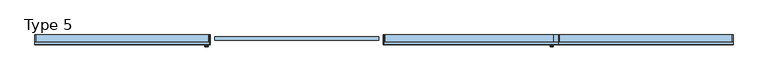
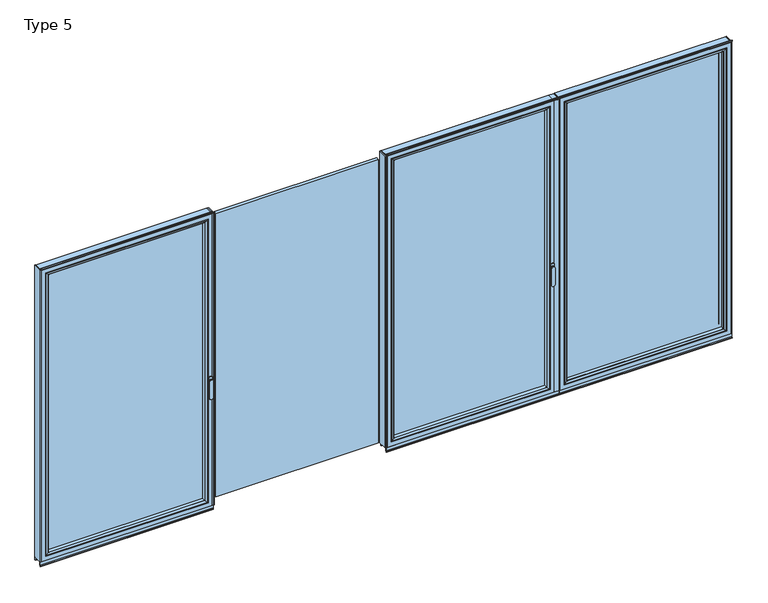
"""IFC4 building model written with IfcOpenShell, lengths in millimetres: window geometry, Type 5."""

from ifc_helpers import new_model, si_unit, point, frame, frame_2d, origin, place, context, project, spatial, polyline, circle_curve, ellipse_curve, trimmed, segment, composite_curve, outline, extrude, source, transform, mapped, element, save
from ifc_brep_helpers import plane_surface, cylinder_surface, extruded_surface, advanced_brep


def type_5_af8a6fa8(model_context):
    return source(origin(), model_context, "Body", "SolidModel", [
        extrude(outline(polyline([(633.76, 0.0), (639.76, 0.0), (639.76, -70.0), (633.76, -70.0), (633.76, 0.0)])), frame((0.0, 0.0, 75.0), z_axis=(0.0, 0.0, 1.0), x_axis=(1.0, 0.0, 0.0)), (0.0, 0.0, 1.0), 2262.0),
        extrude(outline(polyline([(1901.28, 0.0), (1901.28, -70.0), (1895.28, -70.0), (1895.28, 0.0), (1901.28, 0.0)])), frame((0.0, 0.0, 75.0), z_axis=(0.0, 0.0, 1.0), x_axis=(1.0, 0.0, 0.0)), (0.0, 0.0, 1.0), 2262.0),
        extrude(outline(polyline([(671.76, -13.999939), (1863.28, -13.999939), (1863.28, -37.9928974), (671.76, -37.9928974), (671.76, -13.999939)])), frame((0.0, 0.0, 107.0), z_axis=(0.0, 0.0, 1.0), x_axis=(1.0, 0.0, 0.0)), (0.0, 0.0, 1.0), 2198.0),
        advanced_brep(
        [(1841.2804272, -64.5552044, 2283.0004272), (1841.2804272, -37.9928974, 2283.0004272), (1841.2804272, -37.9928974, 128.9995728), (1841.2804272, -64.5552044, 128.9995728), (1863.28, -37.9928974, 2305.0), (1863.28, -37.9928974, 107.0), (671.76, -37.9928974, 107.0), (671.76, -37.9928974, 2305.0), (693.7595728, -37.9928974, 2283.0004272), (693.7595728, -37.9928974, 128.9995728), (693.7595728, -64.5552044, 128.9995728), (1841.9899707, -65.8045072, 2283.7099707), (1841.9899707, -65.8045072, 128.2900293), (693.0500293, -65.8045072, 128.2900293), (1857.280061, -70.0, 2299.000061), (1857.280061, -70.0, 112.999939), (677.759939, -70.0, 112.999939), (671.76, -70.0, 2305.0), (671.76, -70.0, 107.0), (1863.28, -70.0, 107.0), (1863.28, -70.0, 2305.0), (677.759939, -70.0, 2299.000061), (693.7595728, -64.5552044, 2283.0004272), (693.0500293, -65.8045072, 2283.7099707)],
        [
            (0, 1),
            (1, 2),
            (2, 3),
            (3, 0),
            (4, 5),
            (5, 6),
            (6, 7),
            (7, 4),
            (8, 9),
            (9, 2),
            (1, 8),
            (9, 10),
            (10, 3),
            (11, 0, ellipse_curve(frame((1842.7350312, -64.5552044, 2284.4550312), z_axis=(0.7071067811865475, 0.0, -0.7071067811865475), x_axis=(0.7071067811865474, 0.0, 0.7071067811865476)), 2.0571207, 1.454604)),
            (3, 12, ellipse_curve(frame((1842.7350312, -64.5552044, 127.5449688), z_axis=(0.7071067811865475, 0.0, 0.7071067811865475), x_axis=(-0.7071067811865474, 0.0, 0.7071067811865476)), 2.0571207, 1.454604)),
            (12, 11),
            (10, 13, ellipse_curve(frame((692.3049688, -64.5552044, 127.5449688), z_axis=(0.7071067811865475, 0.0, -0.7071067811865475), x_axis=(0.7071067811865476, 0.0, 0.7071067811865474)), 2.0571207, 1.454604)),
            (13, 12),
            (14, 11, ellipse_curve(frame((1857.2161254, -40.2735922, 2298.9361254), z_axis=(0.7071067811865475, 0.0, -0.7071067811865475), x_axis=(0.7071067811865474, 0.0, 0.7071067811865476)), 42.0395863, 29.7264765)),
            (12, 15, ellipse_curve(frame((1857.2161254, -40.2735922, 113.0638746), z_axis=(0.7071067811865475, 0.0, 0.7071067811865475), x_axis=(-0.7071067811865474, 0.0, 0.7071067811865476)), 42.0395863, 29.7264765)),
            (15, 14),
            (13, 16, ellipse_curve(frame((677.8238746, -40.2735922, 113.0638746), z_axis=(0.7071067811865475, 0.0, -0.7071067811865475), x_axis=(0.7071067811865476, 0.0, 0.7071067811865474)), 42.0395863, 29.7264765)),
            (16, 15),
            (17, 18),
            (18, 19),
            (19, 20),
            (20, 17),
            (16, 21),
            (21, 14),
            (4, 20),
            (19, 5),
            (18, 6),
            (8, 22),
            (22, 10),
            (22, 23, ellipse_curve(frame((692.3049688, -64.5552044, 2284.4550312), z_axis=(-0.7071067811865475, 0.0, -0.7071067811865475), x_axis=(0.7071067811865474, 0.0, -0.7071067811865476)), 2.0571207, 1.454604)),
            (23, 13),
            (23, 21, ellipse_curve(frame((677.8238746, -40.2735922, 2298.9361254), z_axis=(-0.7071067811865475, 0.0, -0.7071067811865475), x_axis=(0.7071067811865474, 0.0, -0.7071067811865476)), 42.0395863, 29.7264765)),
            (17, 7),
            (0, 22),
            (11, 23),
        ],
        [
            plane_surface(frame((1841.2804272, -37.9928974, 2283.0004272), z_axis=(-1.0, 0.0, 0.0), x_axis=(0.0, 0.0, -1.0))),
            plane_surface(frame((671.76, -37.9928974, 107.0), z_axis=(0.0, 1.0, 0.0), x_axis=(0.0, 0.0, 1.0))),
            plane_surface(frame((1841.2804272, -37.9928974, 128.9995728), z_axis=(0.0, 0.0, 1.0), x_axis=(-1.0, 0.0, 0.0))),
            cylinder_surface(frame((1842.7350312, -64.5552044, 2283.0004272), z_axis=(0.0, 0.0, 1.0), x_axis=(1.0, 0.0, 0.0)), 1.454604),
            cylinder_surface(frame((1841.2804272, -64.5552044, 127.5449688), z_axis=(1.0, 0.0, 0.0), x_axis=(0.0, 0.0, -1.0)), 1.454604),
            cylinder_surface(frame((1857.2161254, -40.2735922, 2283.0004272), z_axis=(0.0, 0.0, 1.0), x_axis=(1.0, 0.0, 0.0)), 29.7264765),
            cylinder_surface(frame((1841.2804272, -40.2735922, 113.0638746), z_axis=(1.0, 0.0, 0.0), x_axis=(0.0, 0.0, -1.0)), 29.7264765),
            plane_surface(frame((677.759939, -70.0, 112.999939), z_axis=(0.0, -1.0, 0.0), x_axis=(0.0, 0.0, 1.0))),
            plane_surface(frame((1863.28, -70.0, 2305.0), z_axis=(1.0, 0.0, 0.0), x_axis=(0.0, 0.0, -1.0))),
            plane_surface(frame((1863.28, -70.0, 107.0), z_axis=(0.0, 0.0, -1.0), x_axis=(-1.0, 0.0, 0.0))),
            plane_surface(frame((693.7595728, -37.9928974, 128.9995728), z_axis=(1.0, 0.0, 0.0), x_axis=(0.0, 0.0, 1.0))),
            cylinder_surface(frame((692.3049688, -64.5552044, 128.9995728), z_axis=(0.0, 0.0, -1.0), x_axis=(-1.0, 0.0, 0.0)), 1.454604),
            cylinder_surface(frame((677.8238746, -40.2735922, 128.9995728), z_axis=(0.0, 0.0, -1.0), x_axis=(-1.0, 0.0, 0.0)), 29.7264765),
            plane_surface(frame((671.76, -70.0, 107.0), z_axis=(-1.0, 0.0, 0.0), x_axis=(0.0, 0.0, 1.0))),
            plane_surface(frame((693.7595728, -37.9928974, 2283.0004272), z_axis=(0.0, 0.0, -1.0), x_axis=(1.0, 0.0, 0.0))),
            cylinder_surface(frame((693.7595728, -64.5552044, 2284.4550312), z_axis=(-1.0, 0.0, 0.0), x_axis=(0.0, 0.0, 1.0)), 1.454604),
            cylinder_surface(frame((693.7595728, -40.2735922, 2298.9361254), z_axis=(-1.0, 0.0, 0.0), x_axis=(0.0, 0.0, 1.0)), 29.7264765),
            plane_surface(frame((671.76, -70.0, 2305.0), z_axis=(0.0, 0.0, 1.0), x_axis=(1.0, 0.0, 0.0))),
        ],
        [
            (0, [[1, 2, 3, 4]]),
            (1, [[5, 6, 7, 8], [9, 10, -2, 11]]),
            (2, [[-3, -10, 12, 13]]),
            (3, [[14, -4, 15, 16]]),
            (4, [[-15, -13, 17, 18]]),
            (5, [[19, -16, 20, 21]]),
            (6, [[-20, -18, 22, 23]]),
            (7, [[24, 25, 26, 27], [-21, -23, 28, 29]]),
            (8, [[30, -26, 31, -5]]),
            (9, [[-31, -25, 32, -6]]),
            (10, [[-12, -9, 33, 34]]),
            (11, [[-17, -34, 35, 36]]),
            (12, [[-22, -36, 37, -28]]),
            (13, [[-32, -24, 38, -7]]),
            (14, [[-33, -11, -1, 39]]),
            (15, [[-35, -39, -14, 40]]),
            (16, [[-37, -40, -19, -29]]),
            (17, [[-38, -27, -30, -8]]),
        ],
    ),
        advanced_brep(
        [(639.76, -70.0, 2337.0), (639.76, 0.0, 2337.0), (639.76, 0.0, 75.0), (639.76, -70.0, 75.0), (1895.28, 0.0, 75.0), (1895.28, -70.0, 75.0), (1895.28, 0.0, 2337.0), (1845.7808099, 0.0, 124.4991901), (1845.7808099, 0.0, 2287.5008099), (689.2591901, 0.0, 2287.5008099), (689.2591901, 0.0, 124.4991901), (1895.28, -70.0, 2337.0), (671.76, -70.0, 107.0), (671.76, -70.0, 2305.0), (1863.28, -70.0, 2305.0), (1863.28, -70.0, 107.0), (671.76, -13.999939, 2305.0), (671.76, -13.999939, 107.0), (1863.28, -13.999939, 107.0), (1863.28, -13.999939, 2305.0), (693.7595728, -13.999939, 128.9995728), (693.7595728, -13.999939, 2283.0004272), (1841.2804272, -13.999939, 2283.0004272), (1841.2804272, -13.999939, 128.9995728), (693.7595728, -4.5004435, 2283.0004272), (693.7595728, -4.5004435, 128.9995728), (1841.2804272, -4.5004435, 128.9995728), (1841.2804272, -4.5004435, 2283.0004272)],
        [
            (0, 1),
            (1, 2),
            (2, 3),
            (3, 0),
            (2, 4),
            (4, 5),
            (5, 3),
            (1, 6),
            (6, 4),
            (7, 8),
            (8, 9),
            (9, 10),
            (10, 7),
            (6, 11),
            (11, 5),
            (11, 0),
            (12, 13),
            (13, 14),
            (14, 15),
            (15, 12),
            (16, 13),
            (12, 17),
            (17, 16),
            (15, 18),
            (18, 17),
            (14, 19),
            (19, 18),
            (19, 16),
            (20, 21),
            (21, 22),
            (22, 23),
            (23, 20),
            (24, 21),
            (20, 25),
            (25, 24),
            (23, 26),
            (26, 25),
            (22, 27),
            (27, 26),
            (10, 25, ellipse_curve(frame((689.2591901, -4.5004435, 124.4991901), z_axis=(0.7071067811865475, 0.0, -0.7071067811865475), x_axis=(-0.7071067811865476, 0.0, -0.7071067811865474)), 6.3645023, 4.5003827)),
            (26, 7, ellipse_curve(frame((1845.7808099, -4.5004435, 124.4991901), z_axis=(-0.7071067811865475, 0.0, -0.7071067811865475), x_axis=(-0.7071067811865476, 0.0, 0.7071067811865474)), 6.3645023, 4.5003827)),
            (9, 24, ellipse_curve(frame((689.2591901, -4.5004435, 2287.5008099), z_axis=(-0.7071067811865475, 0.0, -0.7071067811865475), x_axis=(-0.7071067811865474, 0.0, 0.7071067811865476)), 6.3645023, 4.5003827)),
            (27, 8, ellipse_curve(frame((1845.7808099, -4.5004435, 2287.5008099), z_axis=(0.7071067811865475, 0.0, -0.7071067811865475), x_axis=(-0.7071067811865474, 0.0, -0.7071067811865476)), 6.3645023, 4.5003827)),
            (24, 27),
        ],
        [
            plane_surface(frame((639.76, 0.0, 2337.0), z_axis=(-1.0, 0.0, 0.0), x_axis=(0.0, 0.0, -1.0))),
            plane_surface(frame((639.76, 0.0, 75.0), z_axis=(0.0, 0.0, -1.0), x_axis=(1.0, 0.0, 0.0))),
            plane_surface(frame((689.2591901, 0.0, 2287.5008099), z_axis=(0.0, 1.0, 0.0), x_axis=(0.0, 0.0, -1.0))),
            plane_surface(frame((1895.28, 0.0, 75.0), z_axis=(1.0, 0.0, 0.0), x_axis=(0.0, 0.0, 1.0))),
            plane_surface(frame((639.76, -70.0, 2337.0), z_axis=(0.0, -1.0, 0.0), x_axis=(0.0, 0.0, -1.0))),
            plane_surface(frame((671.76, -70.0, 2305.0), z_axis=(1.0, 0.0, 0.0), x_axis=(0.0, 0.0, -1.0))),
            plane_surface(frame((671.76, -70.0, 107.0), z_axis=(0.0, 0.0, 1.0), x_axis=(1.0, 0.0, 0.0))),
            plane_surface(frame((1863.28, -70.0, 107.0), z_axis=(-1.0, 0.0, 0.0), x_axis=(0.0, 0.0, 1.0))),
            plane_surface(frame((671.76, -13.999939, 2305.0), z_axis=(0.0, -1.0, 0.0), x_axis=(0.0, 0.0, -1.0))),
            plane_surface(frame((693.7595728, -13.999939, 2283.0004272), z_axis=(1.0, 0.0, 0.0), x_axis=(0.0, 0.0, -1.0))),
            plane_surface(frame((693.7595728, -13.999939, 128.9995728), z_axis=(0.0, 0.0, 1.0), x_axis=(1.0, 0.0, 0.0))),
            plane_surface(frame((1841.2804272, -13.999939, 128.9995728), z_axis=(-1.0, 0.0, 0.0), x_axis=(0.0, 0.0, 1.0))),
            cylinder_surface(frame((633.76, -4.5004435, 124.4991901), z_axis=(-1.0, 0.0, 0.0), x_axis=(0.0, -1.0, 0.0)), 4.5003827),
            cylinder_surface(frame((689.2591901, -4.5004435, 2343.0), z_axis=(0.0, 0.0, 1.0), x_axis=(0.0, -1.0, 0.0)), 4.5003827),
            cylinder_surface(frame((1845.7808099, -4.5004435, 69.0), z_axis=(0.0, 0.0, -1.0), x_axis=(0.0, -1.0, 0.0)), 4.5003827),
            plane_surface(frame((1895.28, 0.0, 2337.0), z_axis=(0.0, 0.0, 1.0), x_axis=(-1.0, 0.0, 0.0))),
            plane_surface(frame((1863.28, -70.0, 2305.0), z_axis=(0.0, 0.0, -1.0), x_axis=(-1.0, 0.0, 0.0))),
            plane_surface(frame((1841.2804272, -13.999939, 2283.0004272), z_axis=(0.0, 0.0, -1.0), x_axis=(-1.0, 0.0, 0.0))),
            cylinder_surface(frame((1901.28, -4.5004435, 2287.5008099), z_axis=(1.0, 0.0, 0.0), x_axis=(0.0, -1.0, 0.0)), 4.5003827),
        ],
        [
            (0, [[1, 2, 3, 4]]),
            (1, [[-3, 5, 6, 7]]),
            (2, [[-2, 8, 9, -5], [10, 11, 12, 13]]),
            (3, [[-6, -9, 14, 15]]),
            (4, [[-15, 16, -4, -7], [17, 18, 19, 20]]),
            (5, [[21, -17, 22, 23]]),
            (6, [[-22, -20, 24, 25]]),
            (7, [[-24, -19, 26, 27]]),
            (8, [[-27, 28, -23, -25], [29, 30, 31, 32]]),
            (9, [[33, -29, 34, 35]]),
            (10, [[-34, -32, 36, 37]]),
            (11, [[-36, -31, 38, 39]]),
            (12, [[40, -37, 41, -13]]),
            (13, [[42, -35, -40, -12]]),
            (14, [[-41, -39, 43, -10]]),
            (15, [[-14, -8, -1, -16]]),
            (16, [[-26, -18, -21, -28]]),
            (17, [[-38, -30, -33, 44]]),
            (18, [[-43, -44, -42, -11]]),
        ],
    ),
        extrude(outline(polyline([(633.76, -7.6000076), (633.76, 0.0), (1901.28, 0.0), (1901.28, -7.6000076), (633.76, -7.6000076)])), frame((0.0, 0.0, 52.9995117), z_axis=(0.0, 0.0, 1.0), x_axis=(1.0, 0.0, 0.0)), (0.0, 0.0, 1.0), 22.0004883),
        extrude(outline(composite_curve([segment(polyline([(-70.0, 45.0), (-70.0, 41.2896854), (-70.8737, 41.2896854), (-71.8670103, 44.9870904)]), True, "CONTINUOUS"), segment(trimmed(circle_curve(frame_2d((-69.9354978, 45.5059925)), 2.0), [point((-71.8670103, 44.9870904))], [point((-71.8566157, 46.0621453))], False, "CARTESIAN"), True, "CONTINUOUS"), segment(polyline([(-71.8566157, 46.0621453), (-70.0, 52.4754501), (-70.0, 75.0), (-62.2757497, 75.0), (-62.2757497, 45.0), (-70.0, 45.0)]), True, "CONTINUOUS")], self_intersect=False)), frame((633.76, 0.0, 0.0), z_axis=(1.0, 0.0, 0.0), x_axis=(0.0, 1.0, 0.0)), (0.0, 0.0, 1.0), 1267.52),
        extrude(outline(composite_curve([segment(polyline([(-52.044326, 2339.1400778), (-52.044326, 2337.0), (-70.0, 2337.0), (-71.8735116, 2343.9547971)]), True, "CONTINUOUS"), segment(trimmed(circle_curve(frame_2d((-69.9423544, 2344.4750201)), 2.0), [point((-71.8735116, 2343.9547971))], [point((-71.8738669, 2344.9939222))], False, "CARTESIAN"), True, "CONTINUOUS"), segment(polyline([(-71.8738669, 2344.9939222), (-70.8937897, 2348.6420698), (-70.0, 2348.6420698), (-70.0, 2342.963961), (-68.6363596, 2339.1400778), (-52.044326, 2339.1400778)]), True, "CONTINUOUS")], self_intersect=False)), frame((633.76, 0.0, 0.0), z_axis=(1.0, 0.0, 0.0), x_axis=(0.0, 1.0, 0.0)), (0.0, 0.0, 1.0), 1267.52),
        advanced_brep(
        [(-1935.2686308, -73.5, 1050.0), (-1911.2913692, -73.5, 1050.0), (-1911.2913692, -76.8965533, 1050.0), (-1935.2686308, -76.8965533, 1050.0), (-1935.2686308, -84.5, 1050.0), (-1935.2686308, -84.5, 918.6867153), (-1911.2913692, -84.5, 918.6867153), (-1911.2913692, -84.5, 1050.0), (-1911.2913692, -76.8965533, 918.6867153), (-1935.2686308, -76.8965533, 918.6867153)],
        [
            (0, 1, circle_curve(frame((-1923.28, -73.5, 1050.0), z_axis=(0.0, 1.0, 0.0), x_axis=(1.0, 0.0, 0.0)), 11.9886308)),
            (1, 0, circle_curve(frame((-1923.28, -73.5, 1050.0), z_axis=(0.0, 1.0, 0.0), x_axis=(1.0, 0.0, 0.0)), 11.9886308)),
            (1, 2),
            (2, 3, circle_curve(frame((-1923.28, -76.8965533, 1050.0), z_axis=(0.0, 1.0, 0.0), x_axis=(1.0, 0.0, 0.0)), 11.9886308)),
            (3, 0),
            (3, 2, circle_curve(frame((-1923.28, -76.8965533, 1050.0), z_axis=(0.0, 1.0, 0.0), x_axis=(1.0, 0.0, 0.0)), 11.9886308)),
            (4, 5),
            (5, 6, ellipse_curve(frame((-1923.28, -84.5, 918.6867153), z_axis=(0.0, -1.0, 0.0), x_axis=(-1.0, 0.0, 0.0)), 11.9886308, 7.9050795)),
            (6, 7),
            (7, 4, circle_curve(frame((-1923.28, -84.5, 1050.0), z_axis=(0.0, -1.0, 0.0), x_axis=(1.0, 0.0, 0.0)), 11.9886308)),
            (2, 8),
            (8, 9, ellipse_curve(frame((-1923.28, -76.8965533, 918.6867153), z_axis=(0.0, 1.0, 0.0), x_axis=(-1.0, 0.0, 0.0)), 11.9886308, 7.9050795)),
            (9, 3),
            (4, 3),
            (9, 5),
            (8, 6),
            (2, 7),
        ],
        [
            plane_surface(frame((-1911.2913692, -73.5, 1050.0), z_axis=(0.0, 1.0, 0.0), x_axis=(0.0, 0.0, -1.0))),
            cylinder_surface(frame((-1923.28, -73.5, 1050.0), z_axis=(0.0, -1.0, 0.0), x_axis=(1.0, 0.0, 0.0)), 11.9886308),
            plane_surface(frame((-1935.2686308, -84.5, 928.3382074), z_axis=(0.0, -1.0, 0.0), x_axis=(0.0, 0.0, -1.0))),
            plane_surface(frame((-1935.2686308, -76.8965533, 928.3382074), z_axis=(0.0, 1.0, 0.0), x_axis=(0.0, 0.0, 1.0))),
            plane_surface(frame((-1935.2686308, -84.5, 1050.0), z_axis=(-1.0, 0.0, 0.0), x_axis=(0.0, 1.0, 0.0))),
            extruded_surface(trimmed(ellipse_curve(frame((-1923.28, -69.2931066, 918.6867153), z_axis=(0.0, -1.0, 0.0), x_axis=(-1.0, 0.0, 0.0)), 11.9886308, 7.9050795), [point((-1935.2686308, -69.2931066, 918.6867153))], [point((-1911.2913692, -69.2931066, 918.6867153))], True, "CARTESIAN"), (0.0, -7.603446699999992, 0.0), 7.603446699999992),
            plane_surface(frame((-1911.2913692, -84.5, 918.6867153), z_axis=(1.0, 0.0, 0.0), x_axis=(0.0, 1.0, 0.0))),
            cylinder_surface(frame((-1923.28, -76.8965533, 1050.0), z_axis=(0.0, -1.0, 0.0), x_axis=(1.0, 0.0, 0.0)), 11.9886308),
        ],
        [
            (0, [[1, 2]]),
            (1, [[-2, 3, 4, 5]]),
            (1, [[-1, -5, 6, -3]]),
            (2, [[7, 8, 9, 10]]),
            (3, [[11, 12, 13, -4]]),
            (4, [[-7, 14, -13, 15]]),
            (5, [[-8, -15, -12, 16]]),
            (6, [[-9, -16, -11, 17]]),
            (7, [[-10, -17, -6, -14]]),
        ],
    ),
        extrude(outline(composite_curve([segment(polyline([(1068.75, -1937.28), (1031.25, -1937.28)]), True, "CONTINUOUS"), segment(trimmed(circle_curve(frame_2d((1031.25, -1923.28)), 14.0), [point((1031.25, -1937.28))], [point((1031.25, -1909.28))], False, "CARTESIAN"), True, "CONTINUOUS"), segment(polyline([(1031.25, -1909.28), (1068.75, -1909.28)]), True, "CONTINUOUS"), segment(trimmed(circle_curve(frame_2d((1068.75, -1923.28)), 14.0), [point((1068.75, -1909.28))], [point((1068.75, -1937.28))], False, "CARTESIAN"), True, "CONTINUOUS")], self_intersect=False)), frame((0.0, -73.5, 0.0), z_axis=(0.0, 1.0, 0.0), x_axis=(0.0, 0.0, 1.0)), (0.0, 0.0, 1.0), 3.5),
        extrude(outline(polyline([(-3168.8, 0.0), (-3162.8, 0.0), (-3162.8, -70.0), (-3168.8, -70.0), (-3168.8, 0.0)])), frame((0.0, 0.0, 75.0), z_axis=(0.0, 0.0, 1.0), x_axis=(1.0, 0.0, 0.0)), (0.0, 0.0, 1.0), 2262.0),
        extrude(outline(polyline([(-1901.28, 0.0), (-1901.28, -70.0), (-1907.28, -70.0), (-1907.28, 0.0), (-1901.28, 0.0)])), frame((0.0, 0.0, 75.0), z_axis=(0.0, 0.0, 1.0), x_axis=(1.0, 0.0, 0.0)), (0.0, 0.0, 1.0), 2262.0),
        extrude(outline(polyline([(-3130.8, -13.999939), (-1939.28, -13.999939), (-1939.28, -37.9928974), (-3130.8, -37.9928974), (-3130.8, -13.999939)])), frame((0.0, 0.0, 107.0), z_axis=(0.0, 0.0, 1.0), x_axis=(1.0, 0.0, 0.0)), (0.0, 0.0, 1.0), 2198.0),
        advanced_brep(
        [(-1961.2795728, -64.5552044, 2283.0004272), (-1961.2795728, -37.9928974, 2283.0004272), (-1961.2795728, -37.9928974, 128.9995728), (-1961.2795728, -64.5552044, 128.9995728), (-1939.28, -37.9928974, 2305.0), (-1939.28, -37.9928974, 107.0), (-3130.8, -37.9928974, 107.0), (-3130.8, -37.9928974, 2305.0), (-3108.8004272, -37.9928974, 2283.0004272), (-3108.8004272, -37.9928974, 128.9995728), (-3108.8004272, -64.5552044, 128.9995728), (-1960.5700293, -65.8045072, 2283.7099707), (-1960.5700293, -65.8045072, 128.2900293), (-3109.5099707, -65.8045072, 128.2900293), (-1945.279939, -70.0, 2299.000061), (-1945.279939, -70.0, 112.999939), (-3124.800061, -70.0, 112.999939), (-3130.8, -70.0, 2305.0), (-3130.8, -70.0, 107.0), (-1939.28, -70.0, 107.0), (-1939.28, -70.0, 2305.0), (-3124.800061, -70.0, 2299.000061), (-3108.8004272, -64.5552044, 2283.0004272), (-3109.5099707, -65.8045072, 2283.7099707)],
        [
            (0, 1),
            (1, 2),
            (2, 3),
            (3, 0),
            (4, 5),
            (5, 6),
            (6, 7),
            (7, 4),
            (8, 9),
            (9, 2),
            (1, 8),
            (9, 10),
            (10, 3),
            (11, 0, ellipse_curve(frame((-1959.8249688, -64.5552044, 2284.4550312), z_axis=(0.7071067811865475, 0.0, -0.7071067811865475), x_axis=(0.7071067811865474, 0.0, 0.7071067811865476)), 2.0571207, 1.454604)),
            (3, 12, ellipse_curve(frame((-1959.8249688, -64.5552044, 127.5449688), z_axis=(0.7071067811865475, 0.0, 0.7071067811865475), x_axis=(-0.7071067811865474, 0.0, 0.7071067811865476)), 2.0571207, 1.454604)),
            (12, 11),
            (10, 13, ellipse_curve(frame((-3110.2550312, -64.5552044, 127.5449688), z_axis=(0.7071067811865475, 0.0, -0.7071067811865475), x_axis=(0.7071067811865476, 0.0, 0.7071067811865474)), 2.0571207, 1.454604)),
            (13, 12),
            (14, 11, ellipse_curve(frame((-1945.3438746, -40.2735922, 2298.9361254), z_axis=(0.7071067811865475, 0.0, -0.7071067811865475), x_axis=(0.7071067811865474, 0.0, 0.7071067811865476)), 42.0395863, 29.7264765)),
            (12, 15, ellipse_curve(frame((-1945.3438746, -40.2735922, 113.0638746), z_axis=(0.7071067811865475, 0.0, 0.7071067811865475), x_axis=(-0.7071067811865474, 0.0, 0.7071067811865476)), 42.0395863, 29.7264765)),
            (15, 14),
            (13, 16, ellipse_curve(frame((-3124.7361254, -40.2735922, 113.0638746), z_axis=(0.7071067811865475, 0.0, -0.7071067811865475), x_axis=(0.7071067811865476, 0.0, 0.7071067811865474)), 42.0395863, 29.7264765)),
            (16, 15),
            (17, 18),
            (18, 19),
            (19, 20),
            (20, 17),
            (16, 21),
            (21, 14),
            (4, 20),
            (19, 5),
            (18, 6),
            (8, 22),
            (22, 10),
            (22, 23, ellipse_curve(frame((-3110.2550312, -64.5552044, 2284.4550312), z_axis=(-0.7071067811865475, 0.0, -0.7071067811865475), x_axis=(0.7071067811865474, 0.0, -0.7071067811865476)), 2.0571207, 1.454604)),
            (23, 13),
            (23, 21, ellipse_curve(frame((-3124.7361254, -40.2735922, 2298.9361254), z_axis=(-0.7071067811865475, 0.0, -0.7071067811865475), x_axis=(0.7071067811865474, 0.0, -0.7071067811865476)), 42.0395863, 29.7264765)),
            (17, 7),
            (0, 22),
            (11, 23),
        ],
        [
            plane_surface(frame((-1961.2795728, -37.9928974, 2283.0004272), z_axis=(-1.0, 0.0, 0.0), x_axis=(0.0, 0.0, -1.0))),
            plane_surface(frame((-3130.8, -37.9928974, 107.0), z_axis=(0.0, 1.0, 0.0), x_axis=(0.0, 0.0, 1.0))),
            plane_surface(frame((-1961.2795728, -37.9928974, 128.9995728), z_axis=(0.0, 0.0, 1.0), x_axis=(-1.0, 0.0, 0.0))),
            cylinder_surface(frame((-1959.8249688, -64.5552044, 2283.0004272), z_axis=(0.0, 0.0, 1.0), x_axis=(1.0, 0.0, 0.0)), 1.454604),
            cylinder_surface(frame((-1961.2795728, -64.5552044, 127.5449688), z_axis=(1.0, 0.0, 0.0), x_axis=(0.0, 0.0, -1.0)), 1.454604),
            cylinder_surface(frame((-1945.3438746, -40.2735922, 2283.0004272), z_axis=(0.0, 0.0, 1.0), x_axis=(1.0, 0.0, 0.0)), 29.7264765),
            cylinder_surface(frame((-1961.2795728, -40.2735922, 113.0638746), z_axis=(1.0, 0.0, 0.0), x_axis=(0.0, 0.0, -1.0)), 29.7264765),
            plane_surface(frame((-3124.800061, -70.0, 112.999939), z_axis=(0.0, -1.0, 0.0), x_axis=(0.0, 0.0, 1.0))),
            plane_surface(frame((-1939.28, -70.0, 2305.0), z_axis=(1.0, 0.0, 0.0), x_axis=(0.0, 0.0, -1.0))),
            plane_surface(frame((-1939.28, -70.0, 107.0), z_axis=(0.0, 0.0, -1.0), x_axis=(-1.0, 0.0, 0.0))),
            plane_surface(frame((-3108.8004272, -37.9928974, 128.9995728), z_axis=(1.0, 0.0, 0.0), x_axis=(0.0, 0.0, 1.0))),
            cylinder_surface(frame((-3110.2550312, -64.5552044, 128.9995728), z_axis=(0.0, 0.0, -1.0), x_axis=(-1.0, 0.0, 0.0)), 1.454604),
            cylinder_surface(frame((-3124.7361254, -40.2735922, 128.9995728), z_axis=(0.0, 0.0, -1.0), x_axis=(-1.0, 0.0, 0.0)), 29.7264765),
            plane_surface(frame((-3130.8, -70.0, 107.0), z_axis=(-1.0, 0.0, 0.0), x_axis=(0.0, 0.0, 1.0))),
            plane_surface(frame((-3108.8004272, -37.9928974, 2283.0004272), z_axis=(0.0, 0.0, -1.0), x_axis=(1.0, 0.0, 0.0))),
            cylinder_surface(frame((-3108.8004272, -64.5552044, 2284.4550312), z_axis=(-1.0, 0.0, 0.0), x_axis=(0.0, 0.0, 1.0)), 1.454604),
            cylinder_surface(frame((-3108.8004272, -40.2735922, 2298.9361254), z_axis=(-1.0, 0.0, 0.0), x_axis=(0.0, 0.0, 1.0)), 29.7264765),
            plane_surface(frame((-3130.8, -70.0, 2305.0), z_axis=(0.0, 0.0, 1.0), x_axis=(1.0, 0.0, 0.0))),
        ],
        [
            (0, [[1, 2, 3, 4]]),
            (1, [[5, 6, 7, 8], [9, 10, -2, 11]]),
            (2, [[-3, -10, 12, 13]]),
            (3, [[14, -4, 15, 16]]),
            (4, [[-15, -13, 17, 18]]),
            (5, [[19, -16, 20, 21]]),
            (6, [[-20, -18, 22, 23]]),
            (7, [[24, 25, 26, 27], [-21, -23, 28, 29]]),
            (8, [[30, -26, 31, -5]]),
            (9, [[-31, -25, 32, -6]]),
            (10, [[-12, -9, 33, 34]]),
            (11, [[-17, -34, 35, 36]]),
            (12, [[-22, -36, 37, -28]]),
            (13, [[-32, -24, 38, -7]]),
            (14, [[-33, -11, -1, 39]]),
            (15, [[-35, -39, -14, 40]]),
            (16, [[-37, -40, -19, -29]]),
            (17, [[-38, -27, -30, -8]]),
        ],
    ),
        advanced_brep(
        [(-3162.8, -70.0, 2337.0), (-3162.8, 0.0, 2337.0), (-3162.8, 0.0, 75.0), (-3162.8, -70.0, 75.0), (-1907.28, 0.0, 75.0), (-1907.28, -70.0, 75.0), (-1907.28, 0.0, 2337.0), (-1956.7791901, 0.0, 124.4991901), (-1956.7791901, 0.0, 2287.5008099), (-3113.3008099, 0.0, 2287.5008099), (-3113.3008099, 0.0, 124.4991901), (-1907.28, -70.0, 2337.0), (-3130.8, -70.0, 107.0), (-3130.8, -70.0, 2305.0), (-1939.28, -70.0, 2305.0), (-1939.28, -70.0, 107.0), (-3130.8, -13.999939, 2305.0), (-3130.8, -13.999939, 107.0), (-1939.28, -13.999939, 107.0), (-1939.28, -13.999939, 2305.0), (-3108.8004272, -13.999939, 128.9995728), (-3108.8004272, -13.999939, 2283.0004272), (-1961.2795728, -13.999939, 2283.0004272), (-1961.2795728, -13.999939, 128.9995728), (-3108.8004272, -4.5004435, 2283.0004272), (-3108.8004272, -4.5004435, 128.9995728), (-1961.2795728, -4.5004435, 128.9995728), (-1961.2795728, -4.5004435, 2283.0004272)],
        [
            (0, 1),
            (1, 2),
            (2, 3),
            (3, 0),
            (2, 4),
            (4, 5),
            (5, 3),
            (1, 6),
            (6, 4),
            (7, 8),
            (8, 9),
            (9, 10),
            (10, 7),
            (6, 11),
            (11, 5),
            (11, 0),
            (12, 13),
            (13, 14),
            (14, 15),
            (15, 12),
            (16, 13),
            (12, 17),
            (17, 16),
            (15, 18),
            (18, 17),
            (14, 19),
            (19, 18),
            (19, 16),
            (20, 21),
            (21, 22),
            (22, 23),
            (23, 20),
            (24, 21),
            (20, 25),
            (25, 24),
            (23, 26),
            (26, 25),
            (22, 27),
            (27, 26),
            (10, 25, ellipse_curve(frame((-3113.3008099, -4.5004435, 124.4991901), z_axis=(0.7071067811865475, 0.0, -0.7071067811865475), x_axis=(-0.7071067811865476, 0.0, -0.7071067811865474)), 6.3645023, 4.5003827)),
            (26, 7, ellipse_curve(frame((-1956.7791901, -4.5004435, 124.4991901), z_axis=(-0.7071067811865475, 0.0, -0.7071067811865475), x_axis=(-0.7071067811865476, 0.0, 0.7071067811865474)), 6.3645023, 4.5003827)),
            (9, 24, ellipse_curve(frame((-3113.3008099, -4.5004435, 2287.5008099), z_axis=(-0.7071067811865475, 0.0, -0.7071067811865475), x_axis=(-0.7071067811865474, 0.0, 0.7071067811865476)), 6.3645023, 4.5003827)),
            (27, 8, ellipse_curve(frame((-1956.7791901, -4.5004435, 2287.5008099), z_axis=(0.7071067811865475, 0.0, -0.7071067811865475), x_axis=(-0.7071067811865474, 0.0, -0.7071067811865476)), 6.3645023, 4.5003827)),
            (24, 27),
        ],
        [
            plane_surface(frame((-3162.8, 0.0, 2337.0), z_axis=(-1.0, 0.0, 0.0), x_axis=(0.0, 0.0, -1.0))),
            plane_surface(frame((-3162.8, 0.0, 75.0), z_axis=(0.0, 0.0, -1.0), x_axis=(1.0, 0.0, 0.0))),
            plane_surface(frame((-3113.3008099, 0.0, 2287.5008099), z_axis=(0.0, 1.0, 0.0), x_axis=(0.0, 0.0, -1.0))),
            plane_surface(frame((-1907.28, 0.0, 75.0), z_axis=(1.0, 0.0, 0.0), x_axis=(0.0, 0.0, 1.0))),
            plane_surface(frame((-3162.8, -70.0, 2337.0), z_axis=(0.0, -1.0, 0.0), x_axis=(0.0, 0.0, -1.0))),
            plane_surface(frame((-3130.8, -70.0, 2305.0), z_axis=(1.0, 0.0, 0.0), x_axis=(0.0, 0.0, -1.0))),
            plane_surface(frame((-3130.8, -70.0, 107.0), z_axis=(0.0, 0.0, 1.0), x_axis=(1.0, 0.0, 0.0))),
            plane_surface(frame((-1939.28, -70.0, 107.0), z_axis=(-1.0, 0.0, 0.0), x_axis=(0.0, 0.0, 1.0))),
            plane_surface(frame((-3130.8, -13.999939, 2305.0), z_axis=(0.0, -1.0, 0.0), x_axis=(0.0, 0.0, -1.0))),
            plane_surface(frame((-3108.8004272, -13.999939, 2283.0004272), z_axis=(1.0, 0.0, 0.0), x_axis=(0.0, 0.0, -1.0))),
            plane_surface(frame((-3108.8004272, -13.999939, 128.9995728), z_axis=(0.0, 0.0, 1.0), x_axis=(1.0, 0.0, 0.0))),
            plane_surface(frame((-1961.2795728, -13.999939, 128.9995728), z_axis=(-1.0, 0.0, 0.0), x_axis=(0.0, 0.0, 1.0))),
            cylinder_surface(frame((-3168.8, -4.5004435, 124.4991901), z_axis=(-1.0, 0.0, 0.0), x_axis=(0.0, -1.0, 0.0)), 4.5003827),
            cylinder_surface(frame((-3113.3008099, -4.5004435, 2343.0), z_axis=(0.0, 0.0, 1.0), x_axis=(0.0, -1.0, 0.0)), 4.5003827),
            cylinder_surface(frame((-1956.7791901, -4.5004435, 69.0), z_axis=(0.0, 0.0, -1.0), x_axis=(0.0, -1.0, 0.0)), 4.5003827),
            plane_surface(frame((-1907.28, 0.0, 2337.0), z_axis=(0.0, 0.0, 1.0), x_axis=(-1.0, 0.0, 0.0))),
            plane_surface(frame((-1939.28, -70.0, 2305.0), z_axis=(0.0, 0.0, -1.0), x_axis=(-1.0, 0.0, 0.0))),
            plane_surface(frame((-1961.2795728, -13.999939, 2283.0004272), z_axis=(0.0, 0.0, -1.0), x_axis=(-1.0, 0.0, 0.0))),
            cylinder_surface(frame((-1901.28, -4.5004435, 2287.5008099), z_axis=(1.0, 0.0, 0.0), x_axis=(0.0, -1.0, 0.0)), 4.5003827),
        ],
        [
            (0, [[1, 2, 3, 4]]),
            (1, [[-3, 5, 6, 7]]),
            (2, [[-2, 8, 9, -5], [10, 11, 12, 13]]),
            (3, [[-6, -9, 14, 15]]),
            (4, [[-15, 16, -4, -7], [17, 18, 19, 20]]),
            (5, [[21, -17, 22, 23]]),
            (6, [[-22, -20, 24, 25]]),
            (7, [[-24, -19, 26, 27]]),
            (8, [[-27, 28, -23, -25], [29, 30, 31, 32]]),
            (9, [[33, -29, 34, 35]]),
            (10, [[-34, -32, 36, 37]]),
            (11, [[-36, -31, 38, 39]]),
            (12, [[40, -37, 41, -13]]),
            (13, [[42, -35, -40, -12]]),
            (14, [[-41, -39, 43, -10]]),
            (15, [[-14, -8, -1, -16]]),
            (16, [[-26, -18, -21, -28]]),
            (17, [[-38, -30, -33, 44]]),
            (18, [[-43, -44, -42, -11]]),
        ],
    ),
        extrude(outline(polyline([(-3168.8, -7.6000076), (-3168.8, 0.0), (-1901.28, 0.0), (-1901.28, -7.6000076), (-3168.8, -7.6000076)])), frame((0.0, 0.0, 52.9995117), z_axis=(0.0, 0.0, 1.0), x_axis=(1.0, 0.0, 0.0)), (0.0, 0.0, 1.0), 22.0004883),
        extrude(outline(composite_curve([segment(polyline([(-70.0, 45.0), (-70.0, 41.2896854), (-70.8737, 41.2896854), (-71.8670103, 44.9870904)]), True, "CONTINUOUS"), segment(trimmed(circle_curve(frame_2d((-69.9354978, 45.5059925)), 2.0), [point((-71.8670103, 44.9870904))], [point((-71.8566157, 46.0621453))], False, "CARTESIAN"), True, "CONTINUOUS"), segment(polyline([(-71.8566157, 46.0621453), (-70.0, 52.4754501), (-70.0, 75.0), (-62.2757497, 75.0), (-62.2757497, 45.0), (-70.0, 45.0)]), True, "CONTINUOUS")], self_intersect=False)), frame((-3168.8, 0.0, 0.0), z_axis=(1.0, 0.0, 0.0), x_axis=(0.0, 1.0, 0.0)), (0.0, 0.0, 1.0), 1267.52),
        extrude(outline(composite_curve([segment(polyline([(-52.044326, 2339.1400778), (-52.044326, 2337.0), (-70.0, 2337.0), (-71.8735116, 2343.9547971)]), True, "CONTINUOUS"), segment(trimmed(circle_curve(frame_2d((-69.9423544, 2344.4750201)), 2.0), [point((-71.8735116, 2343.9547971))], [point((-71.8738669, 2344.9939222))], False, "CARTESIAN"), True, "CONTINUOUS"), segment(polyline([(-71.8738669, 2344.9939222), (-70.8937897, 2348.6420698), (-70.0, 2348.6420698), (-70.0, 2342.963961), (-68.6363596, 2339.1400778), (-52.044326, 2339.1400778)]), True, "CONTINUOUS")], self_intersect=False)), frame((-3168.8, 0.0, 0.0), z_axis=(1.0, 0.0, 0.0), x_axis=(0.0, 1.0, 0.0)), (0.0, 0.0, 1.0), 1267.52),
        advanced_brep(
        [(571.7713692, -73.5, 1050.0), (595.7486308, -73.5, 1050.0), (595.7486308, -76.8965533, 1050.0), (571.7713692, -76.8965533, 1050.0), (571.7713692, -84.5, 1050.0), (571.7713692, -84.5, 918.6867153), (595.7486308, -84.5, 918.6867153), (595.7486308, -84.5, 1050.0), (595.7486308, -76.8965533, 918.6867153), (571.7713692, -76.8965533, 918.6867153)],
        [
            (0, 1, circle_curve(frame((583.76, -73.5, 1050.0), z_axis=(0.0, 1.0, 0.0), x_axis=(1.0, 0.0, 0.0)), 11.9886308)),
            (1, 0, circle_curve(frame((583.76, -73.5, 1050.0), z_axis=(0.0, 1.0, 0.0), x_axis=(1.0, 0.0, 0.0)), 11.9886308)),
            (1, 2),
            (2, 3, circle_curve(frame((583.76, -76.8965533, 1050.0), z_axis=(0.0, 1.0, 0.0), x_axis=(1.0, 0.0, 0.0)), 11.9886308)),
            (3, 0),
            (3, 2, circle_curve(frame((583.76, -76.8965533, 1050.0), z_axis=(0.0, 1.0, 0.0), x_axis=(1.0, 0.0, 0.0)), 11.9886308)),
            (4, 5),
            (5, 6, ellipse_curve(frame((583.76, -84.5, 918.6867153), z_axis=(0.0, -1.0, 0.0), x_axis=(-1.0, 0.0, 0.0)), 11.9886308, 7.9050795)),
            (6, 7),
            (7, 4, circle_curve(frame((583.76, -84.5, 1050.0), z_axis=(0.0, -1.0, 0.0), x_axis=(1.0, 0.0, 0.0)), 11.9886308)),
            (2, 8),
            (8, 9, ellipse_curve(frame((583.76, -76.8965533, 918.6867153), z_axis=(0.0, 1.0, 0.0), x_axis=(-1.0, 0.0, 0.0)), 11.9886308, 7.9050795)),
            (9, 3),
            (4, 3),
            (9, 5),
            (8, 6),
            (2, 7),
        ],
        [
            plane_surface(frame((595.7486308, -73.5, 1050.0), z_axis=(0.0, 1.0, 0.0), x_axis=(0.0, 0.0, -1.0))),
            cylinder_surface(frame((583.76, -73.5, 1050.0), z_axis=(0.0, -1.0, 0.0), x_axis=(1.0, 0.0, 0.0)), 11.9886308),
            plane_surface(frame((571.7713692, -84.5, 928.3382074), z_axis=(0.0, -1.0, 0.0), x_axis=(0.0, 0.0, -1.0))),
            plane_surface(frame((571.7713692, -76.8965533, 928.3382074), z_axis=(0.0, 1.0, 0.0), x_axis=(0.0, 0.0, 1.0))),
            plane_surface(frame((571.7713692, -84.5, 1050.0), z_axis=(-1.0, 0.0, 0.0), x_axis=(0.0, 1.0, 0.0))),
            extruded_surface(trimmed(ellipse_curve(frame((583.76, -69.2931066, 918.6867153), z_axis=(0.0, -1.0, 0.0), x_axis=(-1.0, 0.0, 0.0)), 11.9886308, 7.9050795), [point((571.7713692, -69.2931066, 918.6867153))], [point((595.7486308, -69.2931066, 918.6867153))], True, "CARTESIAN"), (0.0, -7.603446699999992, 0.0), 7.603446699999992),
            plane_surface(frame((595.7486308, -84.5, 918.6867153), z_axis=(1.0, 0.0, 0.0), x_axis=(0.0, 1.0, 0.0))),
            cylinder_surface(frame((583.76, -76.8965533, 1050.0), z_axis=(0.0, -1.0, 0.0), x_axis=(1.0, 0.0, 0.0)), 11.9886308),
        ],
        [
            (0, [[1, 2]]),
            (1, [[-2, 3, 4, 5]]),
            (1, [[-1, -5, 6, -3]]),
            (2, [[7, 8, 9, 10]]),
            (3, [[11, 12, 13, -4]]),
            (4, [[-7, 14, -13, 15]]),
            (5, [[-8, -15, -12, 16]]),
            (6, [[-9, -16, -11, 17]]),
            (7, [[-10, -17, -6, -14]]),
        ],
    ),
        extrude(outline(composite_curve([segment(polyline([(1068.75, 569.76), (1031.25, 569.76)]), True, "CONTINUOUS"), segment(trimmed(circle_curve(frame_2d((1031.25, 583.76)), 14.0), [point((1031.25, 569.76))], [point((1031.25, 597.76))], False, "CARTESIAN"), True, "CONTINUOUS"), segment(polyline([(1031.25, 597.76), (1068.75, 597.76)]), True, "CONTINUOUS"), segment(trimmed(circle_curve(frame_2d((1068.75, 583.76)), 14.0), [point((1068.75, 597.76))], [point((1068.75, 569.76))], False, "CARTESIAN"), True, "CONTINUOUS")], self_intersect=False)), frame((0.0, -73.5, 0.0), z_axis=(0.0, 1.0, 0.0), x_axis=(0.0, 0.0, 1.0)), (0.0, 0.0, 1.0), 3.5),
        extrude(outline(polyline([(-633.76, 0.0), (-627.76, 0.0), (-627.76, -70.0), (-633.76, -70.0), (-633.76, 0.0)])), frame((0.0, 0.0, 75.0), z_axis=(0.0, 0.0, 1.0), x_axis=(1.0, 0.0, 0.0)), (0.0, 0.0, 1.0), 2262.0),
        extrude(outline(polyline([(633.76, 0.0), (633.76, -70.0), (599.76, -70.0), (599.76, 0.0), (633.76, 0.0)])), frame((0.0, 0.0, 75.0), z_axis=(0.0, 0.0, 1.0), x_axis=(1.0, 0.0, 0.0)), (0.0, 0.0, 1.0), 2262.0),
        extrude(outline(polyline([(-595.76, -13.999939), (567.76, -13.999939), (567.76, -37.9928974), (-595.76, -37.9928974), (-595.76, -13.999939)])), frame((0.0, 0.0, 107.0), z_axis=(0.0, 0.0, 1.0), x_axis=(1.0, 0.0, 0.0)), (0.0, 0.0, 1.0), 2198.0),
        advanced_brep(
        [(545.7604272, -64.5552044, 2283.0004272), (545.7604272, -37.9928974, 2283.0004272), (545.7604272, -37.9928974, 128.9995728), (545.7604272, -64.5552044, 128.9995728), (567.76, -37.9928974, 2305.0), (567.76, -37.9928974, 107.0), (-595.76, -37.9928974, 107.0), (-595.76, -37.9928974, 2305.0), (-573.7604272, -37.9928974, 2283.0004272), (-573.7604272, -37.9928974, 128.9995728), (-573.7604272, -64.5552044, 128.9995728), (546.4699707, -65.8045072, 2283.7099707), (546.4699707, -65.8045072, 128.2900293), (-574.4699707, -65.8045072, 128.2900293), (561.760061, -70.0, 2299.000061), (561.760061, -70.0, 112.999939), (-589.760061, -70.0, 112.999939), (-595.76, -70.0, 2305.0), (-595.76, -70.0, 107.0), (567.76, -70.0, 107.0), (567.76, -70.0, 2305.0), (-589.760061, -70.0, 2299.000061), (-573.7604272, -64.5552044, 2283.0004272), (-574.4699707, -65.8045072, 2283.7099707)],
        [
            (0, 1),
            (1, 2),
            (2, 3),
            (3, 0),
            (4, 5),
            (5, 6),
            (6, 7),
            (7, 4),
            (8, 9),
            (9, 2),
            (1, 8),
            (9, 10),
            (10, 3),
            (11, 0, ellipse_curve(frame((547.2150312, -64.5552044, 2284.4550312), z_axis=(0.7071067811865475, 0.0, -0.7071067811865475), x_axis=(0.7071067811865474, 0.0, 0.7071067811865476)), 2.0571207, 1.454604)),
            (3, 12, ellipse_curve(frame((547.2150312, -64.5552044, 127.5449688), z_axis=(0.7071067811865475, 0.0, 0.7071067811865475), x_axis=(-0.7071067811865474, 0.0, 0.7071067811865476)), 2.0571207, 1.454604)),
            (12, 11),
            (10, 13, ellipse_curve(frame((-575.2150312, -64.5552044, 127.5449688), z_axis=(0.7071067811865475, 0.0, -0.7071067811865475), x_axis=(0.7071067811865476, 0.0, 0.7071067811865474)), 2.0571207, 1.454604)),
            (13, 12),
            (14, 11, ellipse_curve(frame((561.6961254, -40.2735922, 2298.9361254), z_axis=(0.7071067811865475, 0.0, -0.7071067811865475), x_axis=(0.7071067811865474, 0.0, 0.7071067811865476)), 42.0395863, 29.7264765)),
            (12, 15, ellipse_curve(frame((561.6961254, -40.2735922, 113.0638746), z_axis=(0.7071067811865475, 0.0, 0.7071067811865475), x_axis=(-0.7071067811865474, 0.0, 0.7071067811865476)), 42.0395863, 29.7264765)),
            (15, 14),
            (13, 16, ellipse_curve(frame((-589.6961254, -40.2735922, 113.0638746), z_axis=(0.7071067811865475, 0.0, -0.7071067811865475), x_axis=(0.7071067811865476, 0.0, 0.7071067811865474)), 42.0395863, 29.7264765)),
            (16, 15),
            (17, 18),
            (18, 19),
            (19, 20),
            (20, 17),
            (16, 21),
            (21, 14),
            (4, 20),
            (19, 5),
            (18, 6),
            (8, 22),
            (22, 10),
            (22, 23, ellipse_curve(frame((-575.2150312, -64.5552044, 2284.4550312), z_axis=(-0.7071067811865475, 0.0, -0.7071067811865475), x_axis=(0.7071067811865474, 0.0, -0.7071067811865476)), 2.0571207, 1.454604)),
            (23, 13),
            (23, 21, ellipse_curve(frame((-589.6961254, -40.2735922, 2298.9361254), z_axis=(-0.7071067811865475, 0.0, -0.7071067811865475), x_axis=(0.7071067811865474, 0.0, -0.7071067811865476)), 42.0395863, 29.7264765)),
            (17, 7),
            (0, 22),
            (11, 23),
        ],
        [
            plane_surface(frame((545.7604272, -37.9928974, 2283.0004272), z_axis=(-1.0, 0.0, 0.0), x_axis=(0.0, 0.0, -1.0))),
            plane_surface(frame((-595.76, -37.9928974, 107.0), z_axis=(0.0, 1.0, 0.0), x_axis=(0.0, 0.0, 1.0))),
            plane_surface(frame((545.7604272, -37.9928974, 128.9995728), z_axis=(0.0, 0.0, 1.0), x_axis=(-1.0, 0.0, 0.0))),
            cylinder_surface(frame((547.2150312, -64.5552044, 2283.0004272), z_axis=(0.0, 0.0, 1.0), x_axis=(1.0, 0.0, 0.0)), 1.454604),
            cylinder_surface(frame((545.7604272, -64.5552044, 127.5449688), z_axis=(1.0, 0.0, 0.0), x_axis=(0.0, 0.0, -1.0)), 1.454604),
            cylinder_surface(frame((561.6961254, -40.2735922, 2283.0004272), z_axis=(0.0, 0.0, 1.0), x_axis=(1.0, 0.0, 0.0)), 29.7264765),
            cylinder_surface(frame((545.7604272, -40.2735922, 113.0638746), z_axis=(1.0, 0.0, 0.0), x_axis=(0.0, 0.0, -1.0)), 29.7264765),
            plane_surface(frame((-589.760061, -70.0, 112.999939), z_axis=(0.0, -1.0, 0.0), x_axis=(0.0, 0.0, 1.0))),
            plane_surface(frame((567.76, -70.0, 2305.0), z_axis=(1.0, 0.0, 0.0), x_axis=(0.0, 0.0, -1.0))),
            plane_surface(frame((567.76, -70.0, 107.0), z_axis=(0.0, 0.0, -1.0), x_axis=(-1.0, 0.0, 0.0))),
            plane_surface(frame((-573.7604272, -37.9928974, 128.9995728), z_axis=(1.0, 0.0, 0.0), x_axis=(0.0, 0.0, 1.0))),
            cylinder_surface(frame((-575.2150312, -64.5552044, 128.9995728), z_axis=(0.0, 0.0, -1.0), x_axis=(-1.0, 0.0, 0.0)), 1.454604),
            cylinder_surface(frame((-589.6961254, -40.2735922, 128.9995728), z_axis=(0.0, 0.0, -1.0), x_axis=(-1.0, 0.0, 0.0)), 29.7264765),
            plane_surface(frame((-595.76, -70.0, 107.0), z_axis=(-1.0, 0.0, 0.0), x_axis=(0.0, 0.0, 1.0))),
            plane_surface(frame((-573.7604272, -37.9928974, 2283.0004272), z_axis=(0.0, 0.0, -1.0), x_axis=(1.0, 0.0, 0.0))),
            cylinder_surface(frame((-573.7604272, -64.5552044, 2284.4550312), z_axis=(-1.0, 0.0, 0.0), x_axis=(0.0, 0.0, 1.0)), 1.454604),
            cylinder_surface(frame((-573.7604272, -40.2735922, 2298.9361254), z_axis=(-1.0, 0.0, 0.0), x_axis=(0.0, 0.0, 1.0)), 29.7264765),
            plane_surface(frame((-595.76, -70.0, 2305.0), z_axis=(0.0, 0.0, 1.0), x_axis=(1.0, 0.0, 0.0))),
        ],
        [
            (0, [[1, 2, 3, 4]]),
            (1, [[5, 6, 7, 8], [9, 10, -2, 11]]),
            (2, [[-3, -10, 12, 13]]),
            (3, [[14, -4, 15, 16]]),
            (4, [[-15, -13, 17, 18]]),
            (5, [[19, -16, 20, 21]]),
            (6, [[-20, -18, 22, 23]]),
            (7, [[24, 25, 26, 27], [-21, -23, 28, 29]]),
            (8, [[30, -26, 31, -5]]),
            (9, [[-31, -25, 32, -6]]),
            (10, [[-12, -9, 33, 34]]),
            (11, [[-17, -34, 35, 36]]),
            (12, [[-22, -36, 37, -28]]),
            (13, [[-32, -24, 38, -7]]),
            (14, [[-33, -11, -1, 39]]),
            (15, [[-35, -39, -14, 40]]),
            (16, [[-37, -40, -19, -29]]),
            (17, [[-38, -27, -30, -8]]),
        ],
    ),
        advanced_brep(
        [(-627.76, -70.0, 2337.0), (-627.76, 0.0, 2337.0), (-627.76, 0.0, 75.0), (-627.76, -70.0, 75.0), (599.76, 0.0, 75.0), (599.76, -70.0, 75.0), (599.76, 0.0, 2337.0), (550.2608099, 0.0, 124.4991901), (550.2608099, 0.0, 2287.5008099), (-578.2608099, 0.0, 2287.5008099), (-578.2608099, 0.0, 124.4991901), (599.76, -70.0, 2337.0), (-595.76, -70.0, 107.0), (-595.76, -70.0, 2305.0), (567.76, -70.0, 2305.0), (567.76, -70.0, 107.0), (-595.76, -13.999939, 2305.0), (-595.76, -13.999939, 107.0), (567.76, -13.999939, 107.0), (567.76, -13.999939, 2305.0), (-573.7604272, -13.999939, 128.9995728), (-573.7604272, -13.999939, 2283.0004272), (545.7604272, -13.999939, 2283.0004272), (545.7604272, -13.999939, 128.9995728), (-573.7604272, -4.5004435, 2283.0004272), (-573.7604272, -4.5004435, 128.9995728), (545.7604272, -4.5004435, 128.9995728), (545.7604272, -4.5004435, 2283.0004272)],
        [
            (0, 1),
            (1, 2),
            (2, 3),
            (3, 0),
            (2, 4),
            (4, 5),
            (5, 3),
            (1, 6),
            (6, 4),
            (7, 8),
            (8, 9),
            (9, 10),
            (10, 7),
            (6, 11),
            (11, 5),
            (11, 0),
            (12, 13),
            (13, 14),
            (14, 15),
            (15, 12),
            (16, 13),
            (12, 17),
            (17, 16),
            (15, 18),
            (18, 17),
            (14, 19),
            (19, 18),
            (19, 16),
            (20, 21),
            (21, 22),
            (22, 23),
            (23, 20),
            (24, 21),
            (20, 25),
            (25, 24),
            (23, 26),
            (26, 25),
            (22, 27),
            (27, 26),
            (10, 25, ellipse_curve(frame((-578.2608099, -4.5004435, 124.4991901), z_axis=(0.7071067811865475, 0.0, -0.7071067811865475), x_axis=(-0.7071067811865476, 0.0, -0.7071067811865474)), 6.3645023, 4.5003827)),
            (26, 7, ellipse_curve(frame((550.2608099, -4.5004435, 124.4991901), z_axis=(-0.7071067811865475, 0.0, -0.7071067811865475), x_axis=(-0.7071067811865476, 0.0, 0.7071067811865474)), 6.3645023, 4.5003827)),
            (9, 24, ellipse_curve(frame((-578.2608099, -4.5004435, 2287.5008099), z_axis=(-0.7071067811865475, 0.0, -0.7071067811865475), x_axis=(-0.7071067811865474, 0.0, 0.7071067811865476)), 6.3645023, 4.5003827)),
            (27, 8, ellipse_curve(frame((550.2608099, -4.5004435, 2287.5008099), z_axis=(0.7071067811865475, 0.0, -0.7071067811865475), x_axis=(-0.7071067811865474, 0.0, -0.7071067811865476)), 6.3645023, 4.5003827)),
            (24, 27),
        ],
        [
            plane_surface(frame((-627.76, 0.0, 2337.0), z_axis=(-1.0, 0.0, 0.0), x_axis=(0.0, 0.0, -1.0))),
            plane_surface(frame((-627.76, 0.0, 75.0), z_axis=(0.0, 0.0, -1.0), x_axis=(1.0, 0.0, 0.0))),
            plane_surface(frame((-578.2608099, 0.0, 2287.5008099), z_axis=(0.0, 1.0, 0.0), x_axis=(0.0, 0.0, -1.0))),
            plane_surface(frame((599.76, 0.0, 75.0), z_axis=(1.0, 0.0, 0.0), x_axis=(0.0, 0.0, 1.0))),
            plane_surface(frame((-627.76, -70.0, 2337.0), z_axis=(0.0, -1.0, 0.0), x_axis=(0.0, 0.0, -1.0))),
            plane_surface(frame((-595.76, -70.0, 2305.0), z_axis=(1.0, 0.0, 0.0), x_axis=(0.0, 0.0, -1.0))),
            plane_surface(frame((-595.76, -70.0, 107.0), z_axis=(0.0, 0.0, 1.0), x_axis=(1.0, 0.0, 0.0))),
            plane_surface(frame((567.76, -70.0, 107.0), z_axis=(-1.0, 0.0, 0.0), x_axis=(0.0, 0.0, 1.0))),
            plane_surface(frame((-595.76, -13.999939, 2305.0), z_axis=(0.0, -1.0, 0.0), x_axis=(0.0, 0.0, -1.0))),
            plane_surface(frame((-573.7604272, -13.999939, 2283.0004272), z_axis=(1.0, 0.0, 0.0), x_axis=(0.0, 0.0, -1.0))),
            plane_surface(frame((-573.7604272, -13.999939, 128.9995728), z_axis=(0.0, 0.0, 1.0), x_axis=(1.0, 0.0, 0.0))),
            plane_surface(frame((545.7604272, -13.999939, 128.9995728), z_axis=(-1.0, 0.0, 0.0), x_axis=(0.0, 0.0, 1.0))),
            cylinder_surface(frame((-633.76, -4.5004435, 124.4991901), z_axis=(-1.0, 0.0, 0.0), x_axis=(0.0, -1.0, 0.0)), 4.5003827),
            cylinder_surface(frame((-578.2608099, -4.5004435, 2343.0), z_axis=(0.0, 0.0, 1.0), x_axis=(0.0, -1.0, 0.0)), 4.5003827),
            cylinder_surface(frame((550.2608099, -4.5004435, 69.0), z_axis=(0.0, 0.0, -1.0), x_axis=(0.0, -1.0, 0.0)), 4.5003827),
            plane_surface(frame((599.76, 0.0, 2337.0), z_axis=(0.0, 0.0, 1.0), x_axis=(-1.0, 0.0, 0.0))),
            plane_surface(frame((567.76, -70.0, 2305.0), z_axis=(0.0, 0.0, -1.0), x_axis=(-1.0, 0.0, 0.0))),
            plane_surface(frame((545.7604272, -13.999939, 2283.0004272), z_axis=(0.0, 0.0, -1.0), x_axis=(-1.0, 0.0, 0.0))),
            cylinder_surface(frame((605.76, -4.5004435, 2287.5008099), z_axis=(1.0, 0.0, 0.0), x_axis=(0.0, -1.0, 0.0)), 4.5003827),
        ],
        [
            (0, [[1, 2, 3, 4]]),
            (1, [[-3, 5, 6, 7]]),
            (2, [[-2, 8, 9, -5], [10, 11, 12, 13]]),
            (3, [[-6, -9, 14, 15]]),
            (4, [[-15, 16, -4, -7], [17, 18, 19, 20]]),
            (5, [[21, -17, 22, 23]]),
            (6, [[-22, -20, 24, 25]]),
            (7, [[-24, -19, 26, 27]]),
            (8, [[-27, 28, -23, -25], [29, 30, 31, 32]]),
            (9, [[33, -29, 34, 35]]),
            (10, [[-34, -32, 36, 37]]),
            (11, [[-36, -31, 38, 39]]),
            (12, [[40, -37, 41, -13]]),
            (13, [[42, -35, -40, -12]]),
            (14, [[-41, -39, 43, -10]]),
            (15, [[-14, -8, -1, -16]]),
            (16, [[-26, -18, -21, -28]]),
            (17, [[-38, -30, -33, 44]]),
            (18, [[-43, -44, -42, -11]]),
        ],
    ),
        extrude(outline(polyline([(-633.76, -7.6000076), (-633.76, 0.0), (633.76, 0.0), (633.76, -7.6000076), (-633.76, -7.6000076)])), frame((0.0, 0.0, 52.9995117), z_axis=(0.0, 0.0, 1.0), x_axis=(1.0, 0.0, 0.0)), (0.0, 0.0, 1.0), 22.0004883),
        extrude(outline(composite_curve([segment(polyline([(-70.0, 45.0), (-70.0, 41.2896854), (-70.8737, 41.2896854), (-71.8670103, 44.9870904)]), True, "CONTINUOUS"), segment(trimmed(circle_curve(frame_2d((-69.9354978, 45.5059925)), 2.0), [point((-71.8670103, 44.9870904))], [point((-71.8566157, 46.0621453))], False, "CARTESIAN"), True, "CONTINUOUS"), segment(polyline([(-71.8566157, 46.0621453), (-70.0, 52.4754501), (-70.0, 75.0), (-62.2757497, 75.0), (-62.2757497, 45.0), (-70.0, 45.0)]), True, "CONTINUOUS")], self_intersect=False)), frame((-633.76, 0.0, 0.0), z_axis=(1.0, 0.0, 0.0), x_axis=(0.0, 1.0, 0.0)), (0.0, 0.0, 1.0), 1267.52),
        extrude(outline(composite_curve([segment(polyline([(-52.044326, 2339.1400778), (-52.044326, 2337.0), (-70.0, 2337.0), (-71.8735116, 2343.9547971)]), True, "CONTINUOUS"), segment(trimmed(circle_curve(frame_2d((-69.9423544, 2344.4750201)), 2.0), [point((-71.8735116, 2343.9547971))], [point((-71.8738669, 2344.9939222))], False, "CARTESIAN"), True, "CONTINUOUS"), segment(polyline([(-71.8738669, 2344.9939222), (-70.8937897, 2348.6420698), (-70.0, 2348.6420698), (-70.0, 2342.963961), (-68.6363596, 2339.1400778), (-52.044326, 2339.1400778)]), True, "CONTINUOUS")], self_intersect=False)), frame((-633.76, 0.0, 0.0), z_axis=(1.0, 0.0, 0.0), x_axis=(0.0, 1.0, 0.0)), (0.0, 0.0, 1.0), 1267.52),
        extrude(outline(polyline([(-633.76, 0.0), (-633.76, -70.0), (-639.76, -70.0), (-639.76, 0.0), (-633.76, 0.0)])), frame((0.0, 0.0, 75.0), z_axis=(0.0, 0.0, 1.0), x_axis=(1.0, 0.0, 0.0)), (0.0, 0.0, 1.0), 2262.0),
        extrude(outline(polyline([(-1901.28, 0.0), (-1895.28, 0.0), (-1895.28, -70.0), (-1901.28, -70.0), (-1901.28, 0.0)])), frame((0.0, 0.0, 75.0), z_axis=(0.0, 0.0, 1.0), x_axis=(1.0, 0.0, 0.0)), (0.0, 0.0, 1.0), 2262.0),
        extrude(outline(polyline([(-671.76, -13.999939), (-671.76, -37.9928974), (-1863.28, -37.9928974), (-1863.28, -13.999939), (-671.76, -13.999939)])), frame((0.0, 0.0, 107.0), z_axis=(0.0, 0.0, 1.0), x_axis=(1.0, 0.0, 0.0)), (0.0, 0.0, 1.0), 2198.0),
    ])


if __name__ == "__main__":
    model = new_model("IFC4")
    model_context = context("Model", 3, world=origin())
    ifc_project = project(units=[si_unit("LENGTHUNIT", "METRE", prefix="MILLI")], contexts=[model_context])
    site = spatial("IfcSite", under=ifc_project)
    building = spatial("IfcBuilding", under=site)
    placement = place(None, origin())
    type_5_shape = type_5_af8a6fa8(model_context)
    element("IfcWindow", 1, ObjectType="Type 5", at=placement, inside=building, context=model_context, shape_type="MappedRepresentation", body=[
        mapped(type_5_shape, transform((0.0, 0.0, 0.0), x_axis=(1.0, 0.0, 0.0), y_axis=(0.0, 1.0, 0.0), z_axis=(0.0, 0.0, 1.0))),
    ])
    save(model, "model.ifc")
